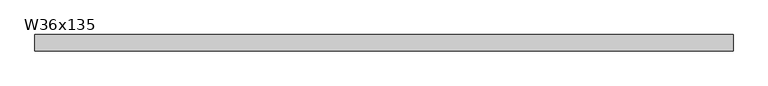
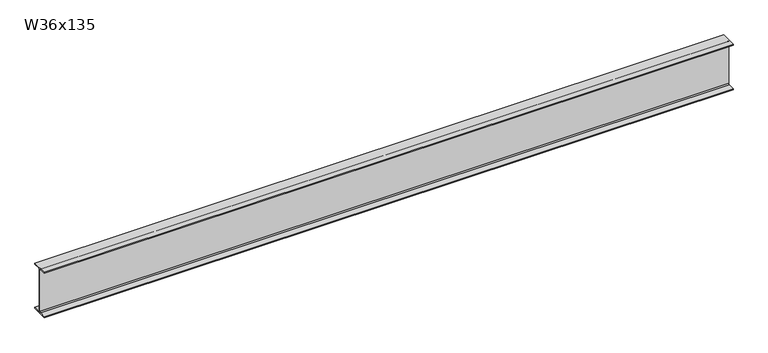
"""IFC4 building model written with IfcOpenShell, lengths in millimetres: beam geometry, W36x135."""

from ifc_helpers import new_model, si_unit, point, frame, frame_2d, origin, place, context, project, spatial, polyline, circle_curve, trimmed, segment, composite_curve, outline, extrude, source, transform, mapped, element, save


def w36x135_18b2e2ce(model_context):
    return source(origin(), model_context, "Body", "SweptSolid", [
        extrude(outline(composite_curve([segment(polyline([(152.4, -432.054), (152.4, -452.12), (-152.4, -452.12), (-152.4, -432.054), (-30.4165, -432.054)]), True, "CONTINUOUS"), segment(trimmed(circle_curve(frame_2d((-30.4165, -409.2575)), 22.7965), [point((-30.4165, -432.054))], [point((-7.62, -409.2575))], True, "CARTESIAN"), True, "CONTINUOUS"), segment(polyline([(-7.62, -409.2575), (-7.62, 409.2575)]), True, "CONTINUOUS"), segment(trimmed(circle_curve(frame_2d((-30.4165, 409.2575)), 22.7965), [point((-7.62, 409.2575))], [point((-30.4165, 432.054))], True, "CARTESIAN"), True, "CONTINUOUS"), segment(polyline([(-30.4165, 432.054), (-152.4, 432.054), (-152.4, 452.12), (152.4, 452.12), (152.4, 432.054), (30.4165, 432.054)]), True, "CONTINUOUS"), segment(trimmed(circle_curve(frame_2d((30.4165, 409.2575)), 22.7965), [point((30.4165, 432.054))], [point((7.62, 409.2575))], True, "CARTESIAN"), True, "CONTINUOUS"), segment(polyline([(7.62, 409.2575), (7.62, -409.2575)]), True, "CONTINUOUS"), segment(trimmed(circle_curve(frame_2d((30.4165, -409.2575)), 22.7965), [point((7.62, -409.2575))], [point((30.4165, -432.054))], True, "CARTESIAN"), True, "CONTINUOUS"), segment(polyline([(30.4165, -432.054), (152.4, -432.054)]), True, "CONTINUOUS")], self_intersect=False)), frame((-6514.973, 0.0, 0.0), z_axis=(1.0, 0.0, 0.0), x_axis=(0.0, 1.0, 0.0)), (0.0, 0.0, 1.0), 12978.003),
    ])


if __name__ == "__main__":
    model = new_model("IFC4")
    model_context = context("Model", 3, world=origin())
    ifc_project = project(units=[si_unit("LENGTHUNIT", "METRE", prefix="MILLI")], contexts=[model_context])
    site = spatial("IfcSite", under=ifc_project)
    building = spatial("IfcBuilding", under=site)
    placement = place(None, origin())
    w36x135_shape = w36x135_18b2e2ce(model_context)
    element("IfcBeam", 1, ObjectType="W36x135", at=placement, inside=building, context=model_context, shape_type="MappedRepresentation", body=[
        mapped(w36x135_shape, transform((0.0, 0.0, 0.0), x_axis=(1.0, 0.0, 0.0), y_axis=(0.0, 1.0, 0.0), z_axis=(0.0, 0.0, 1.0))),
    ])
    save(model, "model.ifc")
